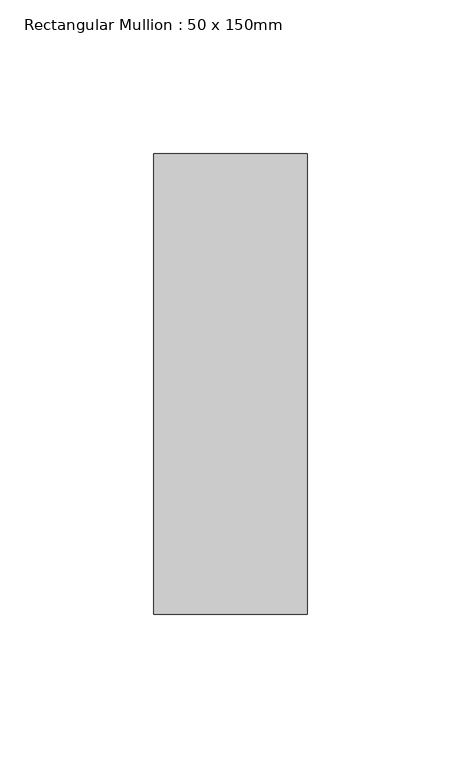
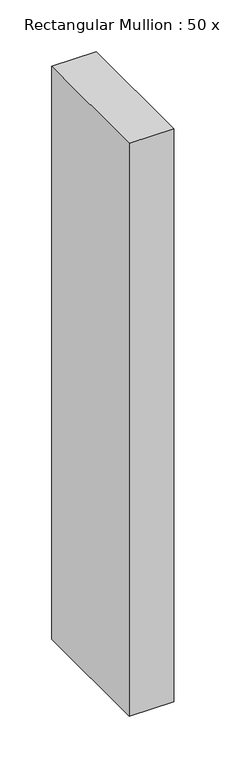
"""IFC4 building model written with IfcOpenShell, lengths in millimetres: member geometry, Rectangular Mullion : 50 x 150mm."""

from ifc_helpers import new_model, si_unit, frame, origin, place, context, project, spatial, polyline, outline, extrude, source, transform, mapped, element, save


def rectangular_mullion_50_x_150mm_56030795(model_context):
    return source(origin(), model_context, "Body", "SweptSolid", [
        extrude(outline(polyline([(25.0, 75.0), (25.0, -75.0), (-25.0, -75.0), (-25.0, 75.0), (25.0, 75.0)])), frame((0.0, 0.0, -676.6666667), z_axis=(0.0, 0.0, 1.0), x_axis=(1.0, 0.0, 0.0)), (0.0, 0.0, 1.0), 676.6666667),
    ])


if __name__ == "__main__":
    model = new_model("IFC4")
    model_context = context("Model", 3, world=origin())
    ifc_project = project(units=[si_unit("LENGTHUNIT", "METRE", prefix="MILLI")], contexts=[model_context])
    site = spatial("IfcSite", under=ifc_project)
    building = spatial("IfcBuilding", under=site)
    placement = place(None, origin())
    rectangular_mullion_50_x_150mm_shape = rectangular_mullion_50_x_150mm_56030795(model_context)
    element("IfcMember", 1, ObjectType="Rectangular Mullion : 50 x 150mm", at=placement, inside=building, context=model_context, shape_type="MappedRepresentation", body=[
        mapped(rectangular_mullion_50_x_150mm_shape, transform((0.0, 0.0, 0.0), x_axis=(1.0, 0.0, 0.0), y_axis=(0.0, 1.0, 0.0), z_axis=(0.0, 0.0, 1.0))),
    ])
    save(model, "model.ifc")
